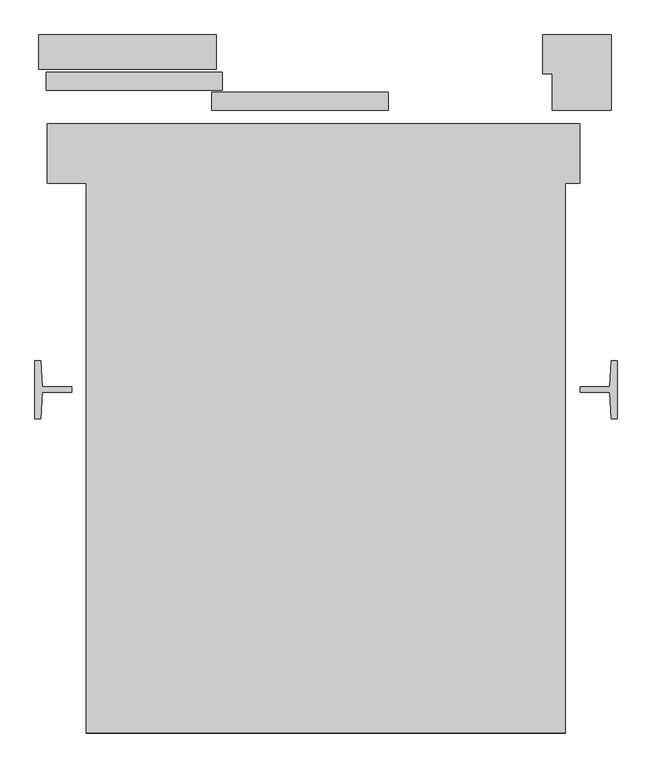
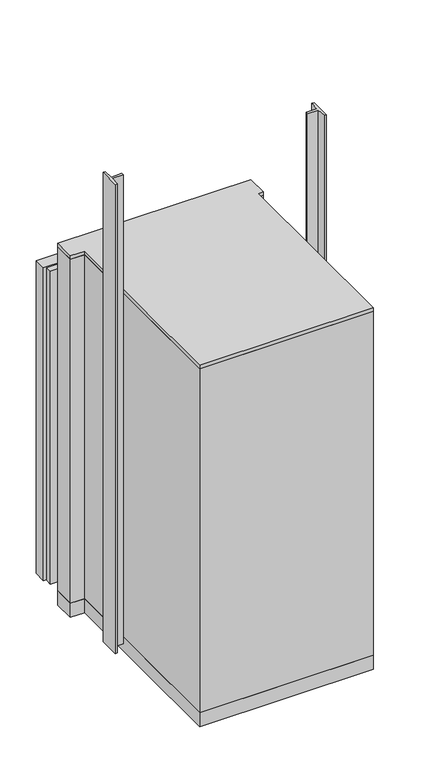
"""IFC4 building model written with IfcOpenShell, lengths in millimetres: proxy geometry."""

from ifc_helpers import new_model, si_unit, frame, origin, origin_with_axes, place, context, project, spatial, polyline, outline, extrude, faceted_brep, source, transform, mapped, element, save


def specialty_equipment_123acd1c(model_context):
    return source(origin(), model_context, "Body", "SolidModel", [
        extrude(outline(polyline([(-400.0, -1440.0000001), (-400.0, -235.0), (-486.5, -235.0), (-486.5, -105.0), (681.0, -105.0), (681.0, -235.0), (650.0, -235.0), (650.0, -1440.0000001), (-400.0, -1440.0000001)])), frame((0.0, 0.0, 2200.0), z_axis=(0.0, 0.0, 1.0), x_axis=(1.0, 0.0, 0.0)), (0.0, 0.0, 1.0), 22.0),
        extrude(outline(polyline([(-448.6220553, -190.9893804), (-448.6220553, -149.3893804), (-62.6220553, -149.3893804), (-62.6220553, -190.9893804), (-448.6220553, -190.9893804)])), origin_with_axes(), (0.0, 0.0, 1.0), 2000.0),
        extrude(outline(polyline([(-114.8301, -144.0), (-114.8301, -108.9587126), (271.1699, -108.9587126), (271.1699, -144.0), (-114.8301, -144.0)])), origin_with_axes(), (0.0, 0.0, 1.0), 2000.0),
        extrude(outline(polyline([(-488.6220553, 8.3893803), (-102.6220553, 8.3893803), (-102.6220553, -30.6106197), (-488.6220553, -30.6106197), (-488.6220553, 8.3893803)])), origin_with_axes(), (0.0, 0.0, 1.0), 2000.0),
        extrude(outline(polyline([(-124.8301, -75.0), (-124.8301, -36.0), (261.1699, -36.0), (261.1699, -75.0), (-124.8301, -75.0)])), origin_with_axes(), (0.0, 0.0, 1.0), 2000.0),
        extrude(outline(polyline([(-400.0, -1440.0000001), (-400.0, -235.0), (-486.5, -235.0), (-486.5, -105.0), (681.0, -105.0), (681.0, -235.0), (650.0, -235.0), (650.0, -1440.0000001), (-400.0, -1440.0000001)])), frame((0.0, 0.0, -90.0), z_axis=(0.0, 0.0, 1.0), x_axis=(1.0, 0.0, 0.0)), (0.0, 0.0, 1.0), 90.0),
        faceted_brep([(-400.0, -1440.0000001, 2200.0), (650.0, -1440.0000001, 2200.0), (650.0, -235.0, 2200.0), (681.0, -235.0, 2200.0), (681.0, -105.0, 2200.0), (-486.5, -105.0, 2200.0), (-486.5, -235.0, 2200.0), (-400.0, -235.0, 2200.0), (-375.0, -1415.0000001, 2200.0), (-375.0, -235.0, 2200.0), (-110.3, -235.0, 2200.0), (-110.3, -197.0, 2200.0), (-458.1228936, -197.0, 2200.0), (-458.1228936, -108.9587126, 2200.0), (621.1699, -108.9587126, 2200.0), (621.1699, -192.6835257, 2200.0), (600.0, -192.6835257, 2200.0), (600.0, -235.0, 2200.0), (625.0, -235.0, 2200.0), (625.0, -572.5016433, 2200.0), (610.2454439, -572.5016433, 2200.0), (610.2454439, -802.5016433, 2200.0), (625.0, -802.5016433, 2200.0), (625.0, -1415.0000001, 2200.0), (-400.0, -1440.0000001, 0.0), (-400.0, -235.0, 0.0), (-486.5, -235.0, 0.0), (-486.5, -105.0, 0.0), (-173.4437103, -105.0, 0.0), (-173.4437103, -108.9587126, 0.0), (-458.1228936, -108.9587126, 0.0), (-458.1228936, -197.0, 0.0), (-110.3, -197.0, 0.0), (-110.3, -235.0, 0.0), (-375.0, -235.0, 0.0), (-375.0, -1415.0000001, 0.0), (625.0, -1415.0000001, 0.0), (625.0, -802.5016433, 0.0), (610.2454439, -802.5016433, 0.0), (610.2454439, -572.5016433, 0.0), (625.0, -572.5016433, 0.0), (625.0, -235.0, 0.0), (600.0, -235.0, 0.0), (600.0, -192.6835257, 0.0), (621.1699, -192.6835257, 0.0), (621.1699, -105.0, 0.0), (681.0, -105.0, 0.0), (681.0, -235.0, 0.0), (650.0, -235.0, 0.0), (650.0, -1440.0000001, 0.0), (621.1699, -105.0, 2000.0), (-173.4437103, -105.0, 2000.0), (-173.4437103, -108.9587126, 2000.0), (621.1699, -108.9587126, 2000.0), (600.0, -192.6835257, 2000.0)], [[[0, 1, 2, 3, 4, 5, 6, 7], [8, 9, 10, 11, 12, 13, 14, 15, 16, 17, 18, 19, 20, 21, 22, 23]], [[24, 25, 26, 27, 28, 29, 30, 31, 32, 33, 34, 35, 36, 37, 38, 39, 40, 41, 42, 43, 44, 45, 46, 47, 48, 49]], [[1, 0, 24, 49]], [[2, 1, 49, 48]], [[3, 2, 48, 47]], [[4, 3, 47, 46]], [[5, 4, 46, 45, 50, 51, 28, 27]], [[6, 5, 27, 26]], [[7, 6, 26, 25]], [[0, 7, 25, 24]], [[9, 8, 35, 34]], [[10, 9, 34, 33]], [[11, 10, 33, 32]], [[12, 11, 32, 31]], [[13, 12, 31, 30]], [[14, 13, 30, 29, 52, 53]], [[15, 14, 53, 50, 45, 44]], [[16, 15, 44, 43, 54]], [[17, 16, 54, 43, 42]], [[18, 17, 42, 41]], [[19, 18, 41, 40]], [[20, 19, 40, 39]], [[21, 20, 39, 38]], [[22, 21, 38, 37]], [[23, 22, 37, 36]], [[8, 23, 36, 35]], [[50, 53, 52, 51]], [[51, 52, 29, 28]]]),
        extrude(outline(polyline([(750.026988, -751.0012199), (747.026988, -693.80122), (682.0269884, -693.80122), (682.0269884, -681.3056039), (747.1132057, -681.3056039), (750.026988, -624.0012199), (763.026988, -624.0012199), (763.026988, -751.0012199), (750.026988, -751.0012199)])), origin_with_axes(), (0.0, 0.0, 1.0), 3000.0),
        extrude(outline(polyline([(-497.026988, -693.80122), (-500.026988, -751.0012199), (-513.026988, -751.0012199), (-513.026988, -624.0012199), (-500.026988, -624.0012199), (-497.1132057, -681.3056039), (-432.0269884, -681.3056039), (-432.0269884, -693.80122), (-497.026988, -693.80122)])), origin_with_axes(), (0.0, 0.0, 1.0), 3000.0),
        extrude(outline(polyline([(-114.9791786, 90.0), (-114.9791786, 14.4785696), (-505.0067971, 14.4785696), (-505.0067971, 90.0), (-114.9791786, 90.0)])), origin_with_axes(), (0.0, 0.0, 1.0), 2000.0),
        extrude(outline(polyline([(600.0, 5.0), (600.0, 90.0), (750.0, 90.0), (750.0, -75.0), (621.1699, -75.0), (621.1699, 5.0), (600.0, 5.0)])), origin_with_axes(), (0.0, 0.0, 1.0), 2000.0),
    ])


if __name__ == "__main__":
    model = new_model("IFC4")
    model_context = context("Model", 3, world=origin())
    ifc_project = project(units=[si_unit("LENGTHUNIT", "METRE", prefix="MILLI")], contexts=[model_context])
    site = spatial("IfcSite", under=ifc_project)
    building = spatial("IfcBuilding", under=site)
    placement = place(None, origin())
    specialty_equipment_shape = specialty_equipment_123acd1c(model_context)
    element("IfcBuildingElementProxy", 1, Name="Specialty Equipment", at=placement, inside=building, context=model_context, shape_type="MappedRepresentation", body=[
        mapped(specialty_equipment_shape, transform((0.0, 0.0, 0.0), x_axis=(1.0, 0.0, 0.0), y_axis=(0.0, 1.0, 0.0), z_axis=(0.0, 0.0, 1.0))),
    ])
    save(model, "model.ifc")
